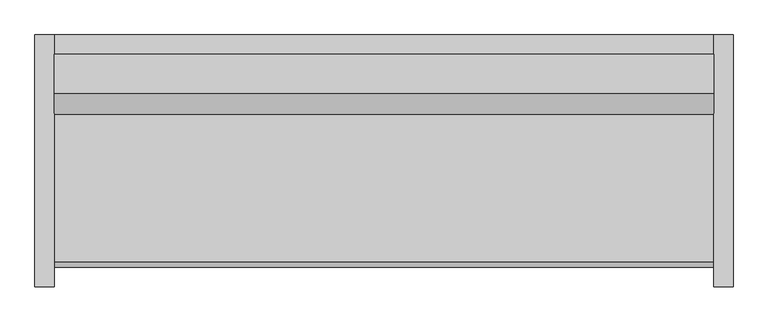
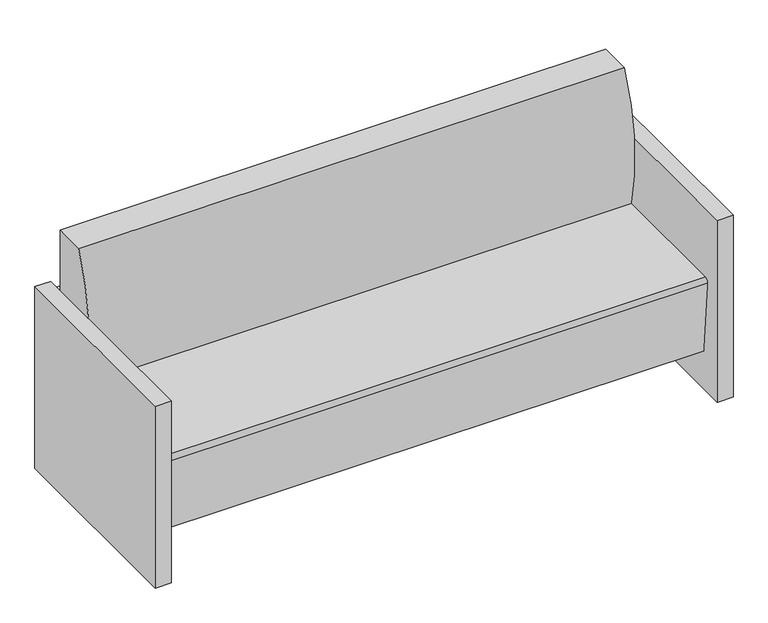
"""IFC4 building model written with IfcOpenShell, lengths in millimetres: furniture geometry."""

from ifc_helpers import new_model, si_unit, point, frame, frame_2d, origin, origin_with_axes, place, context, project, spatial, polyline, circle_curve, trimmed, segment, composite_curve, outline, extrude, source, transform, mapped, element, save


def furniture_f9e8a66b(model_context):
    return source(origin(), model_context, "Body", "SweptSolid", [
        extrude(outline(polyline([(-793.8295082, 425.5540984), (-793.8295082, 476.3540984), (934.5704918, 476.3540984), (934.5704918, 425.5540984), (-793.8295082, 425.5540984)])), frame((0.0, 0.0, 457.2), z_axis=(0.0, 0.0, 1.0), x_axis=(1.0, 0.0, 0.0)), (0.0, 0.0, 1.0), 127.0),
        extrude(outline(polyline([(-793.8295082, 425.5540984), (-793.8295082, 476.3540984), (934.5704918, 476.3540984), (934.5704918, 425.5540984), (-793.8295082, 425.5540984)])), frame((0.0, 0.0, 266.7), z_axis=(0.0, 0.0, 1.0), x_axis=(1.0, 0.0, 0.0)), (0.0, 0.0, 1.0), 127.0),
        extrude(outline(polyline([(-793.8295082, 425.5540984), (-793.8295082, 476.3540984), (934.5704918, 476.3540984), (934.5704918, 425.5540984), (-793.8295082, 425.5540984)])), frame((0.0, 0.0, 76.2), z_axis=(0.0, 0.0, 1.0), x_axis=(1.0, 0.0, 0.0)), (0.0, 0.0, 1.0), 127.0),
        extrude(outline(composite_curve([segment(trimmed(circle_curve(frame_2d((926.517198, 542.5300036)), 660.4), [point((286.1764935, 381.0))], [point((323.9540984, 812.8))], False, "CARTESIAN"), True, "CONTINUOUS"), segment(polyline([(323.9540984, 812.8), (425.5540984, 812.8), (425.5540984, 127.9665467), (-111.108343, 127.9665467), (-132.0379563, 367.1931221)]), True, "CONTINUOUS"), segment(trimmed(circle_curve(frame_2d((-119.3862837, 368.3)), 12.7), [point((-132.0379563, 367.1931221))], [point((-119.3862837, 381.0))], False, "CARTESIAN"), True, "CONTINUOUS"), segment(polyline([(-119.3862837, 381.0), (286.1764935, 381.0)]), True, "CONTINUOUS")], self_intersect=False)), frame((-793.8295082, 0.0, 0.0), z_axis=(1.0, 0.0, 0.0), x_axis=(0.0, 1.0, 0.0)), (0.0, 0.0, 1.0), 1728.4),
        extrude(outline(polyline([(-793.8295082, 476.3540984), (-793.8295082, -184.0459016), (-844.6295082, -184.0459016), (-844.6295082, 476.3540984), (-793.8295082, 476.3540984)])), origin_with_axes(), (0.0, 0.0, 1.0), 609.6),
        extrude(outline(polyline([(985.3704918, 476.3540984), (985.3704918, -184.0459016), (934.5704918, -184.0459016), (934.5704918, 476.3540984), (985.3704918, 476.3540984)])), origin_with_axes(), (0.0, 0.0, 1.0), 609.6),
    ])


if __name__ == "__main__":
    model = new_model("IFC4")
    model_context = context("Model", 3, world=origin())
    ifc_project = project(units=[si_unit("LENGTHUNIT", "METRE", prefix="MILLI")], contexts=[model_context])
    site = spatial("IfcSite", under=ifc_project)
    building = spatial("IfcBuilding", under=site)
    placement = place(None, origin())
    furniture_shape = furniture_f9e8a66b(model_context)
    element("IfcFurniture", 1, at=placement, inside=building, context=model_context, shape_type="MappedRepresentation", body=[
        mapped(furniture_shape, transform((0.0, 0.0, 0.0), x_axis=(1.0, 0.0, 0.0), y_axis=(0.0, 1.0, 0.0), z_axis=(0.0, 0.0, 1.0))),
    ])
    save(model, "model.ifc")
